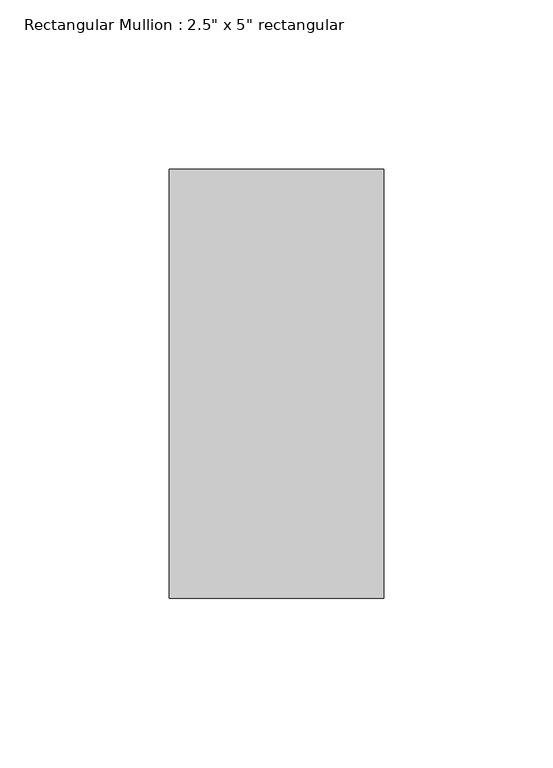
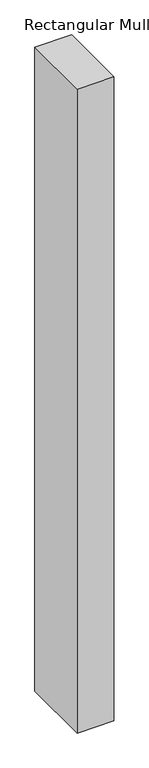
"""IFC4 building model written with IfcOpenShell, lengths in millimetres: member geometry."""

from ifc_helpers import new_model, si_unit, frame, origin, place, context, project, spatial, polyline, outline, extrude, source, transform, mapped, element, save


def member_a0b68d02(model_context):
    return source(origin(), model_context, "Body", "SweptSolid", [
        extrude(outline(polyline([(31.75, 63.5), (31.75, -63.5), (-31.75, -63.5), (-31.75, 63.5), (31.75, 63.5)])), frame((0.0, 0.0, -1180.7150757), z_axis=(0.0, 0.0, 1.0), x_axis=(1.0, 0.0, 0.0)), (0.0, 0.0, 1.0), 1180.7150757),
    ])


if __name__ == "__main__":
    model = new_model("IFC4")
    model_context = context("Model", 3, world=origin())
    ifc_project = project(units=[si_unit("LENGTHUNIT", "METRE", prefix="MILLI")], contexts=[model_context])
    site = spatial("IfcSite", under=ifc_project)
    building = spatial("IfcBuilding", under=site)
    placement = place(None, origin())
    member_shape = member_a0b68d02(model_context)
    element("IfcMember", 1, ObjectType="Rectangular Mullion : 2.5\" x 5\" rectangular", at=placement, inside=building, context=model_context, shape_type="MappedRepresentation", body=[
        mapped(member_shape, transform((0.0, 0.0, 0.0), x_axis=(1.0, 0.0, 0.0), y_axis=(0.0, 1.0, 0.0), z_axis=(0.0, 0.0, 1.0))),
    ])
    save(model, "model.ifc")
